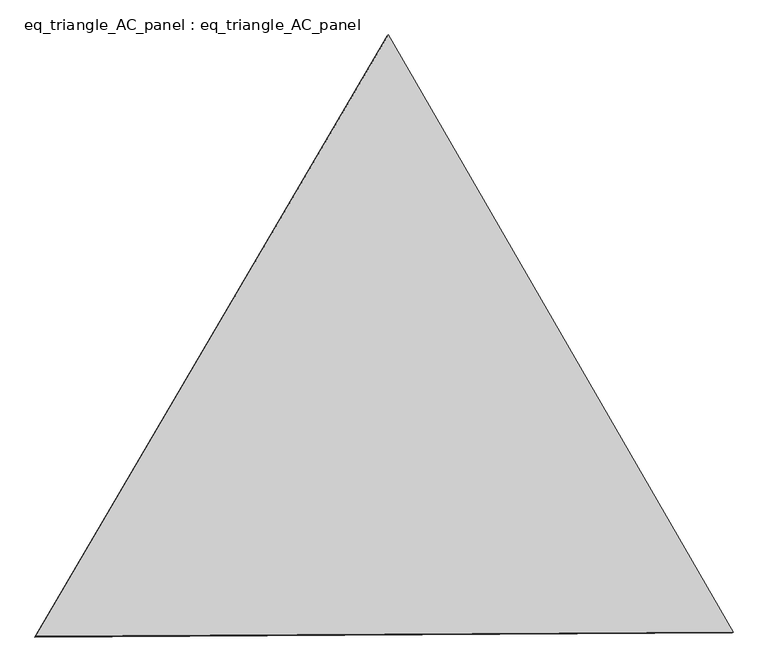
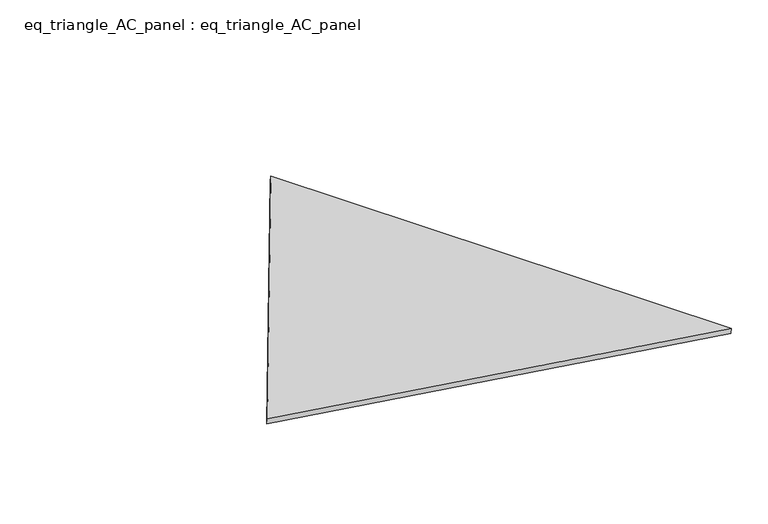
"""IFC4 building model written with IfcOpenShell, lengths in millimetres: proxy geometry, eq_triangle_AC_panel : eq_triangle_AC_panel."""

from ifc_helpers import new_model, si_unit, frame, origin, place, context, project, spatial, polyline, outline, extrude, source, transform, mapped, element, save


def eq_triangle_ac_panel_eq_triangle_ac_panel_f61ebcbd(model_context):
    return source(origin(), model_context, "Body", "SweptSolid", [
        extrude(outline(polyline([(-2017.7245804, 1198.9369906), (2017.7092157, 1198.9369906), (0.0153647, -2397.8739811), (-2017.7245804, 1198.9369906)])), frame((0.0038051, 527.9290861, 89.8240019), z_axis=(0.14526328518059486, 0.08386570281799959, 0.9858321976225894), x_axis=(0.49999729918774055, -0.8660269630925194, -1.3088863877084473e-06)), (0.0, 0.0, 1.0), 43.8306294),
    ])


if __name__ == "__main__":
    model = new_model("IFC4")
    model_context = context("Model", 3, world=origin())
    ifc_project = project(units=[si_unit("LENGTHUNIT", "METRE", prefix="MILLI")], contexts=[model_context])
    site = spatial("IfcSite", under=ifc_project)
    building = spatial("IfcBuilding", under=site)
    placement = place(None, origin())
    eq_triangle_ac_panel_eq_triangle_ac_panel_shape = eq_triangle_ac_panel_eq_triangle_ac_panel_f61ebcbd(model_context)
    element("IfcBuildingElementProxy", 1, Name="eq_triangle_AC_panel : eq_triangle_AC_panel", ObjectType="eq_triangle_AC_panel : eq_triangle_AC_panel", at=placement, inside=building, context=model_context, shape_type="MappedRepresentation", body=[
        mapped(eq_triangle_ac_panel_eq_triangle_ac_panel_shape, transform((0.0, 0.0, 0.0), x_axis=(1.0, 0.0, 0.0), y_axis=(0.0, 1.0, 0.0), z_axis=(0.0, 0.0, 1.0))),
    ])
    save(model, "model.ifc")
